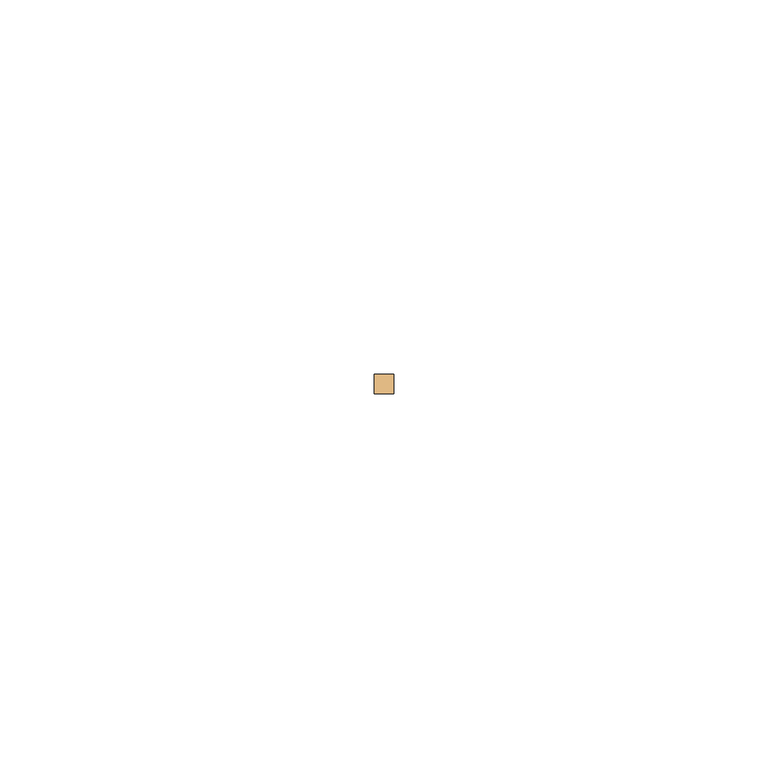
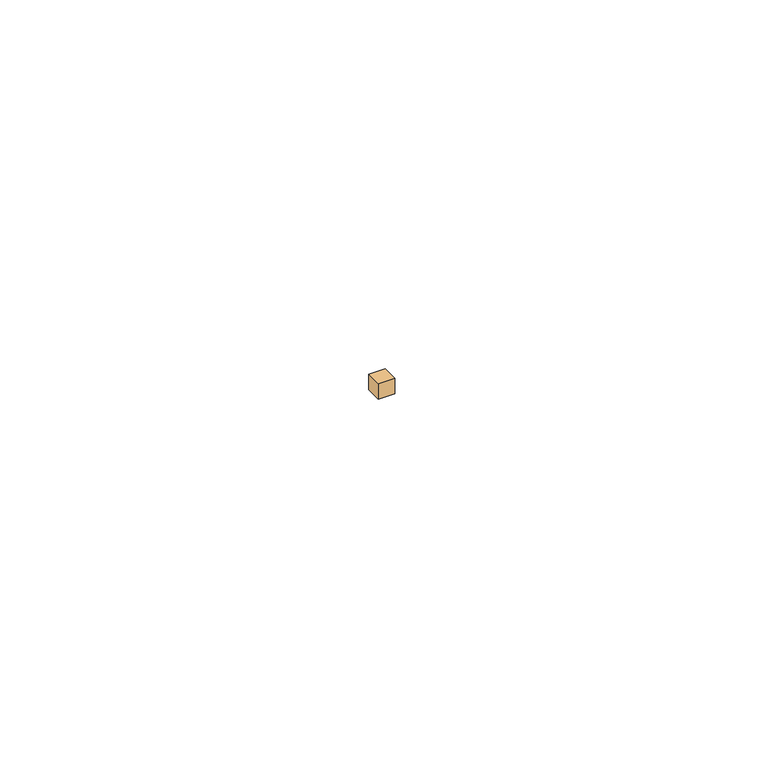
"""IFC4 building model written with IfcOpenShell, lengths in millimetres: door geometry."""

import ifcopenshell
import ifcopenshell.guid

model = None  # the IFC model being written
_history = None  # IfcOwnerHistory: only IFC2X3 demands one
_inside = {}  # id of a spatial element -> (the spatial element, [elements in it])
_under = {}  # id of a project, library or spatial element -> (it, [spatial elements below it])
_declared = {}  # id of a project -> (the project, [libraries it declares])
_typed = {}  # id of a type object -> (the type object, [elements of that type])
_made_of = {}  # id of a material, layer set ... -> (it, [elements and type objects made of it])


def new_model(schema):
    """Start an empty IFC model of exactly this schema.

    Asked for "IFC4X3", IfcOpenShell would pick the latest addendum, in which some entities
    have other attributes; the version numbers below select the first issue.
    IFC2X3 requires an IfcOwnerHistory on every rooted entity: one is made here for all.
    """
    global model, _history
    if schema == "IFC4X3":
        model = ifcopenshell.file(schema_version=(4, 3, 0, 0))
    else:
        model = ifcopenshell.file(schema=schema)
    _inside.clear()
    _under.clear()
    _declared.clear()
    _typed.clear()
    _made_of.clear()
    _history = None
    if model.schema == "IFC2X3":
        org = make("IfcOrganization", Name="unknown")
        user = make(
            "IfcPersonAndOrganization",
            ThePerson=make("IfcPerson", FamilyName="unknown"),
            TheOrganization=org,
        )
        app = make(
            "IfcApplication",
            ApplicationDeveloper=org,
            Version="unknown",
            ApplicationFullName="unknown",
            ApplicationIdentifier="unknown",
        )
        _history = make(
            "IfcOwnerHistory",
            OwningUser=user,
            OwningApplication=app,
            ChangeAction="ADDED",
            CreationDate=0,
        )
    return model


def make(cls, **values):
    """One entity of the class cls with the attributes given. An attribute that is None is left unset."""
    return model.create_entity(
        cls, **{name: value for name, value in values.items() if value is not None}
    )


def rooted(cls, **values):
    """An entity with a GlobalId (a new one), such as an element, a storey or a relation."""
    return make(cls, GlobalId=ifcopenshell.guid.new(), OwnerHistory=_history, **values)


def si_unit(unit_type, name, prefix=None):
    """IfcSIUnit, for example si_unit("LENGTHUNIT", "METRE", prefix="MILLI")."""
    return make("IfcSIUnit", UnitType=unit_type, Prefix=prefix, Name=name)


def assignment(units):
    """IfcUnitAssignment: the units of a project."""
    return None if units is None else make("IfcUnitAssignment", Units=units)


def point(xyz):
    """IfcCartesianPoint."""
    return None if xyz is None else make("IfcCartesianPoint", Coordinates=xyz)


def direction(xyz):
    """IfcDirection."""
    return None if xyz is None else make("IfcDirection", DirectionRatios=xyz)


def frame(location, z_axis=None, x_axis=None):
    """IfcAxis2Placement3D, a coordinate frame: its origin and axes. An axis left out is left unset."""
    return make(
        "IfcAxis2Placement3D",
        Location=point(location),
        Axis=direction(z_axis),
        RefDirection=direction(x_axis),
    )


def origin():
    """The frame at (0, 0, 0) with its axes left unset."""
    return frame((0.0, 0.0, 0.0))


def origin_with_axes():
    """The frame at (0, 0, 0) with the z axis (0, 0, 1) and the x axis (1, 0, 0) written out."""
    return frame((0.0, 0.0, 0.0), z_axis=(0.0, 0.0, 1.0), x_axis=(1.0, 0.0, 0.0))


def place(relative_to, where):
    """IfcLocalPlacement: puts the frame where relative to a parent placement (None: the world)."""
    return make(
        "IfcLocalPlacement", PlacementRelTo=relative_to, RelativePlacement=where
    )


def context(
    kind, dimensions, precision=None, world=None, true_north=None, identifier=None
):
    """IfcGeometricRepresentationContext, for example the 3D "Model" context."""
    return make(
        "IfcGeometricRepresentationContext",
        ContextIdentifier=identifier,
        ContextType=kind,
        CoordinateSpaceDimension=dimensions,
        Precision=precision,
        WorldCoordinateSystem=world,
        TrueNorth=true_north,
    )


def project(units=None, contexts=None):
    """IfcProject with its units and contexts."""
    return rooted(
        "IfcProject",
        Name="project",
        RepresentationContexts=contexts,
        UnitsInContext=assignment(units),
    )


def spatial(cls, under=None, at=None, **own):
    """A site, building, storey or space (cls), placed at a placement, below another one or the project."""
    s = rooted(cls, ObjectPlacement=at, **own)
    if under is not None:
        _under.setdefault(under.id(), (under, []))[1].append(s)
    return s


def polyline(points):
    """IfcPolyline through the points."""
    return make("IfcPolyline", Points=[point(p) for p in points])


def outline(outer, holes=None, kind="AREA"):
    """IfcArbitraryClosedProfileDef: a profile drawn as a closed curve; with holes, ...WithVoids."""
    if holes is None:
        return make("IfcArbitraryClosedProfileDef", ProfileType=kind, OuterCurve=outer)
    return make(
        "IfcArbitraryProfileDefWithVoids",
        ProfileType=kind,
        OuterCurve=outer,
        InnerCurves=holes,
    )


def extrude(swept, where, along, depth):
    """IfcExtrudedAreaSolid: the profile swept, set in the frame where, extruded along a direction by depth."""
    return make(
        "IfcExtrudedAreaSolid",
        SweptArea=swept,
        Position=where,
        ExtrudedDirection=direction(along),
        Depth=depth,
    )


def shape(context_of_items, identifier, shape_type, items):
    """IfcShapeRepresentation: the items that make up one representation, for example the "Body"."""
    return make(
        "IfcShapeRepresentation",
        ContextOfItems=context_of_items,
        RepresentationIdentifier=identifier,
        RepresentationType=shape_type,
        Items=items,
    )


def source(mapping_origin, context_of_items, identifier, shape_type, items):
    """IfcRepresentationMap: a shape defined once, which mapped items show again and again."""
    return make(
        "IfcRepresentationMap",
        MappingOrigin=mapping_origin,
        MappedRepresentation=shape(context_of_items, identifier, shape_type, items),
    )


def transform(
    local_origin,
    x_axis=None,
    y_axis=None,
    z_axis=None,
    scale=None,
    scale2=None,
    scale3=None,
    uniform=True,
):
    """IfcCartesianTransformationOperator3D, or its non-uniform kind. x_axis, y_axis, z_axis: its Axis1, 2, 3."""
    if uniform:
        return make(
            "IfcCartesianTransformationOperator3D",
            Axis1=direction(x_axis),
            Axis2=direction(y_axis),
            LocalOrigin=point(local_origin),
            Scale=scale,
            Axis3=direction(z_axis),
        )
    return make(
        "IfcCartesianTransformationOperator3DnonUniform",
        Axis1=direction(x_axis),
        Axis2=direction(y_axis),
        LocalOrigin=point(local_origin),
        Scale=scale,
        Axis3=direction(z_axis),
        Scale2=scale2,
        Scale3=scale3,
    )


def mapped(mapping_source, mapping_target):
    """IfcMappedItem: shows the shape of a source again, moved by a transform."""
    return make(
        "IfcMappedItem", MappingSource=mapping_source, MappingTarget=mapping_target
    )


def made_of(thing, what):
    """Note that an element or type object is made of a material, layer set ...; save() writes the relation."""
    if what is not None:
        _made_of.setdefault(what.id(), (what, []))[1].append(thing)
    return thing


def element(
    cls,
    number,
    at=None,
    inside=None,
    cuts=None,
    type_object=None,
    material=None,
    context=None,
    identifier="Body",
    shape_type=None,
    held_by="IfcProductDefinitionShape",
    body=None,
    shapes=None,
    **own,
):
    """One element of the class cls, such as IfcWall. Its Tag is "e" and its number.

    at: its placement. inside: the storey or other place that contains it. cuts: it is an
    opening in that element (IfcRelVoidsElement). A single representation is given by context,
    identifier, shape_type and body (its items); several are given by shapes. held_by: the class
    of the entity that holds the representations. save() writes the other relations.
    """
    e = rooted(cls, Tag="e%d" % number, ObjectPlacement=at, **own)
    if body is not None:
        shapes = [shape(context, identifier, shape_type, body)]
    if shapes is not None:
        e.Representation = make(held_by, Representations=shapes)
    if inside is not None:
        _inside.setdefault(inside.id(), (inside, []))[1].append(e)
    if cuts is not None:
        rooted(
            "IfcRelVoidsElement", RelatingBuildingElement=cuts, RelatedOpeningElement=e
        )
    if type_object is not None:
        _typed.setdefault(type_object.id(), (type_object, []))[1].append(e)
    return made_of(e, material)


def aggregate(whole, parts):
    """IfcRelAggregates: a whole, such as a stair, and the parts it consists of."""
    return rooted("IfcRelAggregates", RelatingObject=whole, RelatedObjects=parts)


def save(model, path):
    """Write the relations noted so far, then the file.

    IfcRelAggregates (storeys below a building ...), IfcRelContainedInSpatialStructure (elements
    in a storey), IfcRelDefinesByType, IfcRelAssociatesMaterial and IfcRelDeclares: one each for
    every whole, place, type object, material and project.
    """
    for whole, parts in _under.values():
        aggregate(whole, parts)
    for where, things in _inside.values():
        rooted(
            "IfcRelContainedInSpatialStructure",
            RelatedElements=things,
            RelatingStructure=where,
        )
    for kind, things in _typed.values():
        rooted("IfcRelDefinesByType", RelatedObjects=things, RelatingType=kind)
    for what, things in _made_of.values():
        rooted("IfcRelAssociatesMaterial", RelatedObjects=things, RelatingMaterial=what)
    for by, libraries in _declared.values():
        rooted("IfcRelDeclares", RelatingContext=by, RelatedDefinitions=libraries)
    model.write(path)


def door_6f5b4e58(model_context):
    return source(origin(), model_context, "Body", "SweptSolid", [
        extrude(outline(polyline([(-506.73, -1.27), (-509.27, -1.27), (-509.27, 1.27), (-506.73, 1.27), (-506.73, -1.27)])), origin_with_axes(), (0.0, 0.0, 1.0), 2.54),
    ])


if __name__ == "__main__":
    model = new_model("IFC4")
    model_context = context("Model", 3, world=origin())
    ifc_project = project(units=[si_unit("LENGTHUNIT", "METRE", prefix="MILLI")], contexts=[model_context])
    site = spatial("IfcSite", under=ifc_project)
    building = spatial("IfcBuilding", under=site)
    placement = place(None, origin())
    door_shape = door_6f5b4e58(model_context)
    element("IfcDoor", 1, at=placement, inside=building, context=model_context, shape_type="MappedRepresentation", body=[
        mapped(door_shape, transform((0.0, 0.0, 0.0), x_axis=(1.0, 0.0, 0.0), y_axis=(0.0, 1.0, 0.0), z_axis=(0.0, 0.0, 1.0))),
    ])
    save(model, "model.ifc")
